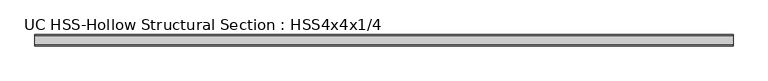
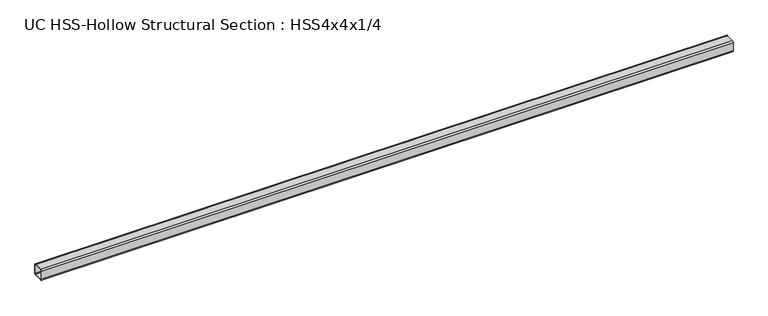
"""IFC4 building model written with IfcOpenShell, lengths in millimetres: member geometry, UC HSS-Hollow Structural Section : HSS4x4x1/4."""

from ifc_helpers import new_model, si_unit, point, frame, frame_2d, origin, place, context, project, spatial, polyline, circle_curve, trimmed, segment, composite_curve, outline, extrude, source, transform, mapped, element, save


def uc_hss_hollow_structural_section_hss4x4x1_4_5d01d4de(model_context):
    return source(origin(), model_context, "Body", "SweptSolid", [
        extrude(outline(composite_curve([segment(trimmed(circle_curve(frame_2d((-38.9636, 38.9636)), 11.8364), [point((-50.8, 38.9636))], [point((-38.9636, 50.8))], False, "CARTESIAN"), True, "CONTINUOUS"), segment(polyline([(-38.9636, 50.8), (38.9636, 50.8)]), True, "CONTINUOUS"), segment(trimmed(circle_curve(frame_2d((38.9636, 38.9636)), 11.8364), [point((38.9636, 50.8))], [point((50.8, 38.9636))], False, "CARTESIAN"), True, "CONTINUOUS"), segment(polyline([(50.8, 38.9636), (50.8, -38.9636)]), True, "CONTINUOUS"), segment(trimmed(circle_curve(frame_2d((38.9636, -38.9636)), 11.8364), [point((50.8, -38.9636))], [point((38.9636, -50.8))], False, "CARTESIAN"), True, "CONTINUOUS"), segment(polyline([(38.9636, -50.8), (-38.9636, -50.8)]), True, "CONTINUOUS"), segment(trimmed(circle_curve(frame_2d((-38.9636, -38.9636)), 11.8364), [point((-38.9636, -50.8))], [point((-50.8, -38.9636))], False, "CARTESIAN"), True, "CONTINUOUS"), segment(polyline([(-50.8, -38.9636), (-50.8, 38.9636)]), True, "CONTINUOUS")], self_intersect=False), holes=[composite_curve([segment(polyline([(38.9636, 44.8818), (-38.9636, 44.8818)]), True, "CONTINUOUS"), segment(trimmed(circle_curve(frame_2d((-38.9636, 38.9636)), 5.9182), [point((-38.9636, 44.8818))], [point((-44.8818, 38.9636))], True, "CARTESIAN"), True, "CONTINUOUS"), segment(polyline([(-44.8818, 38.9636), (-44.8818, -38.9636)]), True, "CONTINUOUS"), segment(trimmed(circle_curve(frame_2d((-38.9636, -38.9636)), 5.9182), [point((-44.8818, -38.9636))], [point((-38.9636, -44.8818))], True, "CARTESIAN"), True, "CONTINUOUS"), segment(polyline([(-38.9636, -44.8818), (38.9636, -44.8818)]), True, "CONTINUOUS"), segment(trimmed(circle_curve(frame_2d((38.9636, -38.9636)), 5.9182), [point((38.9636, -44.8818))], [point((44.8818, -38.9636))], True, "CARTESIAN"), True, "CONTINUOUS"), segment(polyline([(44.8818, -38.9636), (44.8818, 38.9636)]), True, "CONTINUOUS"), segment(trimmed(circle_curve(frame_2d((38.9636, 38.9636)), 5.9182), [point((44.8818, 38.9636))], [point((38.9636, 44.8818))], True, "CARTESIAN"), True, "CONTINUOUS")], self_intersect=False)]), frame((-3021.4628932, 0.0, 0.0), z_axis=(1.0, 0.0, 0.0), x_axis=(0.0, 1.0, 0.0)), (0.0, 0.0, 1.0), 6198.5982615),
    ])


if __name__ == "__main__":
    model = new_model("IFC4")
    model_context = context("Model", 3, world=origin())
    ifc_project = project(units=[si_unit("LENGTHUNIT", "METRE", prefix="MILLI")], contexts=[model_context])
    site = spatial("IfcSite", under=ifc_project)
    building = spatial("IfcBuilding", under=site)
    placement = place(None, origin())
    uc_hss_hollow_structural_section_hss4x4x1_4_shape = uc_hss_hollow_structural_section_hss4x4x1_4_5d01d4de(model_context)
    element("IfcMember", 1, ObjectType="UC HSS-Hollow Structural Section : HSS4x4x1/4", at=placement, inside=building, context=model_context, shape_type="MappedRepresentation", body=[
        mapped(uc_hss_hollow_structural_section_hss4x4x1_4_shape, transform((0.0, 0.0, 0.0), x_axis=(1.0, 0.0, 0.0), y_axis=(0.0, 1.0, 0.0), z_axis=(0.0, 0.0, 1.0))),
    ])
    save(model, "model.ifc")
